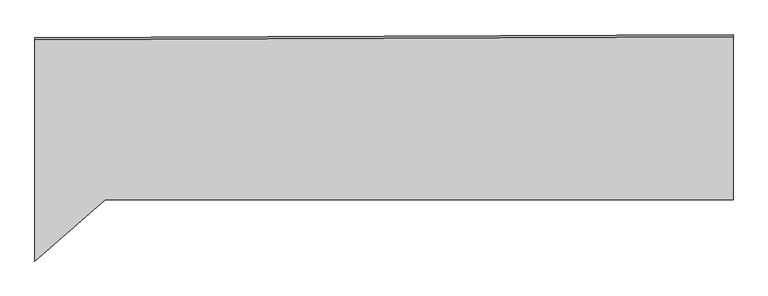
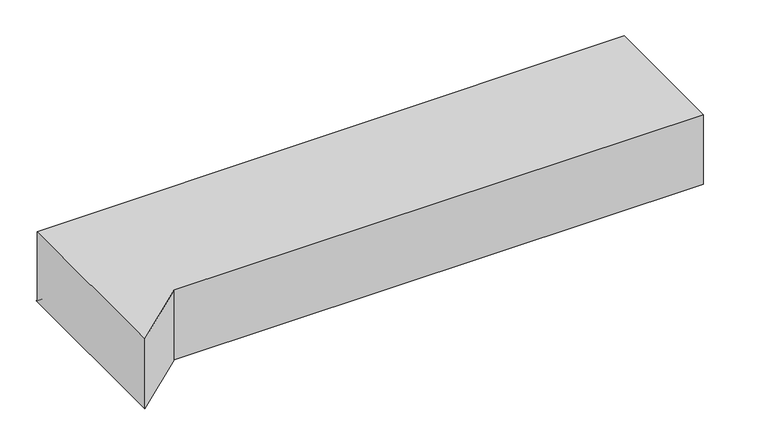
"""IFC4 building model written with IfcOpenShell, lengths in millimetres: proxy geometry."""

from ifc_helpers import new_model, si_unit, origin, place, context, project, spatial, faceted_brep, source, transform, mapped, element, save


def generic_models_460aad5d(model_context):
    return source(origin(), model_context, "Body", "Brep", [
        faceted_brep([(-8466.8500948, 117612.4468963, 9215.524418), (-6961.1813139, 117612.4468963, 9215.524418), (-6961.1813139, 118003.0971006, 9215.524418), (-8635.2259584, 117996.3686534, 9215.524418), (-8635.2259584, 117465.5658238, 9215.524418), (-8466.8500948, 117612.4468963, 9005.4099682), (-8635.2259584, 117465.5658238, 9005.4099682), (-8635.2259584, 118001.0564244, 9005.4099682), (-6961.1813139, 118007.7848717, 9005.4099682), (-6961.1813139, 117612.4468963, 9005.4099682), (-8466.8500948, 117612.4468963, 9009.1225795), (-6961.1813139, 117612.4468963, 9009.1225795), (-6961.1813139, 118003.0971006, 9009.1225795), (-8635.2259584, 117465.5658238, 9009.1225795), (-8635.2259584, 117996.3686534, 9009.1225795)], [[[0, 1, 2, 3, 4]], [[5, 6, 7, 8, 9]], [[1, 0, 10, 5, 9, 11]], [[1, 11, 9, 8, 12, 2]], [[6, 13, 4, 3, 14, 7]], [[0, 4, 13, 6, 5, 10]], [[14, 12, 8, 7]], [[12, 14, 3, 2]]]),
    ])


if __name__ == "__main__":
    model = new_model("IFC4")
    model_context = context("Model", 3, world=origin())
    ifc_project = project(units=[si_unit("LENGTHUNIT", "METRE", prefix="MILLI")], contexts=[model_context])
    site = spatial("IfcSite", under=ifc_project)
    building = spatial("IfcBuilding", under=site)
    placement = place(None, origin())
    generic_models_shape = generic_models_460aad5d(model_context)
    element("IfcBuildingElementProxy", 1, Name="Generic Models", at=placement, inside=building, context=model_context, shape_type="MappedRepresentation", body=[
        mapped(generic_models_shape, transform((0.0, 0.0, 0.0), x_axis=(1.0, 0.0, 0.0), y_axis=(0.0, 1.0, 0.0), z_axis=(0.0, 0.0, 1.0))),
    ])
    save(model, "model.ifc")
